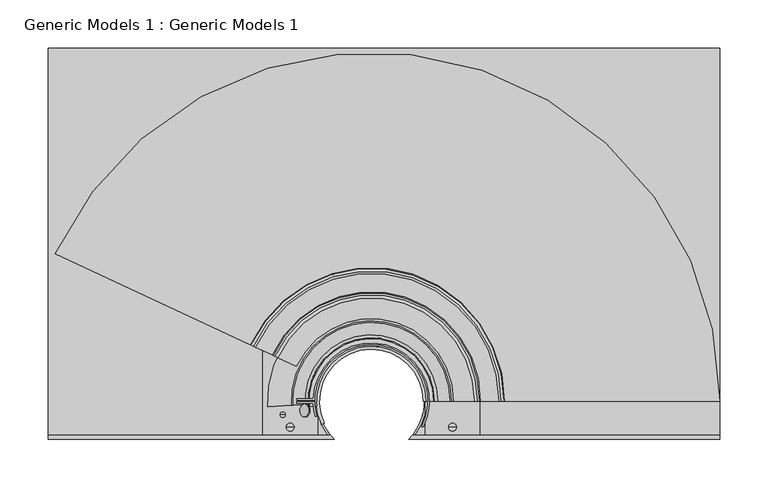
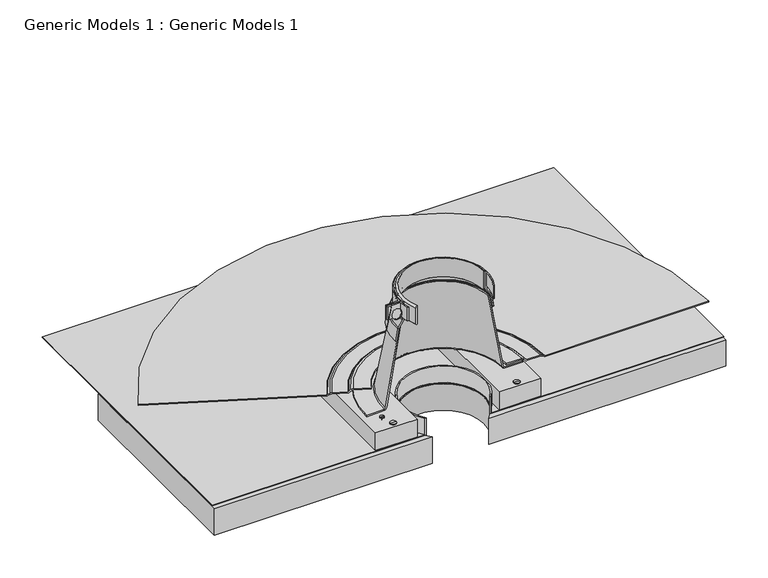
"""IFC4 building model written with IfcOpenShell, lengths in millimetres: proxy geometry, Generic Models 1 : Generic Models 1."""

from ifc_helpers import new_model, si_unit, point, frame, frame_2d, origin, place, context, project, spatial, polyline, circle_curve, ellipse_curve, trimmed, segment, composite_curve, outline, extrude, source, transform, mapped, element, save
from ifc_brep_helpers import plane_surface, cylinder_surface, revolved_surface, advanced_brep


def generic_models_1_generic_models_1_5c570e52(model_context):
    return source(origin(), model_context, "Body", "SolidModel", [
        advanced_brep(
        [(109.3081433, -0.2148802, 322.2467164), (110.2023565, -0.2148802, 329.5294984), (108.4139301, -0.2148802, 329.5294984), (110.2023565, -0.2148802, 364.9000359), (108.4139301, -0.2148802, 364.9000359), (113.4189105, -0.2148802, 364.9000359), (105.1973761, -0.2148802, 364.9000359), (113.4189105, -0.2148802, 366.6967164), (105.1973761, -0.2148802, 366.6967164), (109.3081433, -0.2148802, 366.6967164)],
        [
            (0, 1),
            (1, 2, circle_curve(frame((109.3081433, -0.2148802, 329.5294984), z_axis=(0.0, 0.0, -1.0), x_axis=(1.0, 0.0, 0.0)), 0.8942132)),
            (2, 0),
            (1, 3),
            (3, 4, circle_curve(frame((109.3081433, -0.2148802, 364.9000359), z_axis=(0.0, 0.0, -1.0), x_axis=(1.0, 0.0, 0.0)), 0.8942132)),
            (4, 2),
            (3, 5),
            (5, 6, circle_curve(frame((109.3081433, -0.2148802, 364.9000359), z_axis=(0.0, 0.0, -1.0), x_axis=(1.0, 0.0, 0.0)), 4.1107672)),
            (6, 4),
            (5, 7),
            (7, 8, circle_curve(frame((109.3081433, -0.2148802, 366.6967164), z_axis=(0.0, 0.0, -1.0), x_axis=(1.0, 0.0, 0.0)), 4.1107672)),
            (8, 6),
            (7, 9),
            (9, 8),
            (2, 1, circle_curve(frame((109.3081433, -0.2148802, 329.5294984), z_axis=(0.0, 0.0, -1.0), x_axis=(1.0, 0.0, 0.0)), 0.8942132)),
            (4, 3, circle_curve(frame((109.3081433, -0.2148802, 364.9000359), z_axis=(0.0, 0.0, -1.0), x_axis=(1.0, 0.0, 0.0)), 0.8942132)),
            (6, 5, circle_curve(frame((109.3081433, -0.2148802, 364.9000359), z_axis=(0.0, 0.0, -1.0), x_axis=(1.0, 0.0, 0.0)), 4.1107672)),
            (8, 7, circle_curve(frame((109.3081433, -0.2148802, 366.6967164), z_axis=(0.0, 0.0, -1.0), x_axis=(1.0, 0.0, 0.0)), 4.1107672)),
        ],
        [
            revolved_surface(polyline([(110.2023565, -0.2148802, 329.5294984), (109.3081433, -0.2148802, 322.2467164)]), (109.3081433, -0.2148802, 361.5306611), (0.0, 0.0, -1.0)),
            cylinder_surface(frame((109.3081433, -0.2148802, 361.5306611), z_axis=(0.0, 0.0, -1.0), x_axis=(1.0, 0.0, 0.0)), 0.8942132),
            plane_surface(frame((109.3081433, -0.2148802, 364.9000359), z_axis=(0.0, 0.0, -1.0), x_axis=(1.0, 0.0, 0.0))),
            cylinder_surface(frame((109.3081433, -0.2148802, 361.5306611), z_axis=(0.0, 0.0, -1.0), x_axis=(1.0, 0.0, 0.0)), 4.1107672),
            plane_surface(frame((109.3081433, -0.2148802, 366.6967164), z_axis=(0.0, 0.0, 1.0), x_axis=(1.0, 0.0, 0.0))),
        ],
        [
            (0, [[1, 2, 3]]),
            (1, [[-2, 4, 5, 6]]),
            (2, [[-5, 7, 8, 9]]),
            (3, [[-8, 10, 11, 12]]),
            (4, [[-11, 13, 14]]),
            (0, [[-3, 15, -1]]),
            (1, [[-15, -6, 16, -4]]),
            (2, [[-16, -9, 17, -7]]),
            (3, [[-17, -12, 18, -10]]),
            (4, [[-18, -14, -13]]),
        ],
    ),
        advanced_brep(
        [(-58.5640294, -0.2148802, 329.5294984), (-60.3524558, -0.2148802, 329.5294984), (-59.4582426, -0.2148802, 322.2467164), (-58.5640294, -0.2148802, 364.9000359), (-60.3524558, -0.2148802, 364.9000359), (-55.3474754, -0.2148802, 364.9000359), (-63.5690098, -0.2148802, 364.9000359), (-55.3474754, -0.2148802, 366.6967164), (-63.5690098, -0.2148802, 366.6967164), (-59.4582426, -0.2148802, 366.6967164)],
        [
            (0, 1, circle_curve(frame((-59.4582426, -0.2148802, 329.5294984), z_axis=(0.0, 0.0, -1.0), x_axis=(-1.0, 0.0, 0.0)), 0.8942132)),
            (1, 2),
            (2, 0),
            (3, 4, circle_curve(frame((-59.4582426, -0.2148802, 364.9000359), z_axis=(0.0, 0.0, -1.0), x_axis=(-1.0, 0.0, 0.0)), 0.8942132)),
            (4, 1),
            (0, 3),
            (5, 6, circle_curve(frame((-59.4582426, -0.2148802, 364.9000359), z_axis=(0.0, 0.0, -1.0), x_axis=(-1.0, 0.0, 0.0)), 4.1107672)),
            (6, 4),
            (3, 5),
            (7, 8, circle_curve(frame((-59.4582426, -0.2148802, 366.6967164), z_axis=(0.0, 0.0, -1.0), x_axis=(-1.0, 0.0, 0.0)), 4.1107672)),
            (8, 6),
            (5, 7),
            (9, 8),
            (7, 9),
            (1, 0, circle_curve(frame((-59.4582426, -0.2148802, 329.5294984), z_axis=(0.0, 0.0, -1.0), x_axis=(-1.0, 0.0, 0.0)), 0.8942132)),
            (4, 3, circle_curve(frame((-59.4582426, -0.2148802, 364.9000359), z_axis=(0.0, 0.0, -1.0), x_axis=(-1.0, 0.0, 0.0)), 0.8942132)),
            (6, 5, circle_curve(frame((-59.4582426, -0.2148802, 364.9000359), z_axis=(0.0, 0.0, -1.0), x_axis=(-1.0, 0.0, 0.0)), 4.1107672)),
            (8, 7, circle_curve(frame((-59.4582426, -0.2148802, 366.6967164), z_axis=(0.0, 0.0, -1.0), x_axis=(-1.0, 0.0, 0.0)), 4.1107672)),
        ],
        [
            revolved_surface(polyline([(-59.4582426, -0.2148802, 322.2467164), (-60.3524558, -0.2148802, 329.5294984)]), (-59.4582426, -0.2148802, 361.5306611), (0.0, 0.0, 1.0)),
            cylinder_surface(frame((-59.4582426, -0.2148802, 361.5306611), z_axis=(0.0, 0.0, 1.0), x_axis=(-1.0, 0.0, 0.0)), 0.8942132),
            plane_surface(frame((-59.4582426, -0.2148802, 364.9000359), z_axis=(0.0, 0.0, -1.0), x_axis=(-1.0, 0.0, 0.0))),
            cylinder_surface(frame((-59.4582426, -0.2148802, 361.5306611), z_axis=(0.0, 0.0, 1.0), x_axis=(-1.0, 0.0, 0.0)), 4.1107672),
            plane_surface(frame((-59.4582426, -0.2148802, 366.6967164), z_axis=(0.0, 0.0, 1.0), x_axis=(-1.0, 0.0, 0.0))),
        ],
        [
            (0, [[1, 2, 3]]),
            (1, [[4, 5, -1, 6]]),
            (2, [[7, 8, -4, 9]]),
            (3, [[10, 11, -7, 12]]),
            (4, [[13, -10, 14]]),
            (0, [[15, -3, -2]]),
            (1, [[16, -6, -15, -5]]),
            (2, [[17, -9, -16, -8]]),
            (3, [[18, -12, -17, -11]]),
            (4, [[-14, -18, -13]]),
        ],
    ),
        advanced_brep(
        [(-18.4100435, -7.9562391, 339.7092164), (-18.4100435, -7.9562391, 338.9154664), (68.2599441, -7.9562391, 338.9154664), (68.2599441, -7.9562391, 339.7092164), (387.35, 393.8469389, 338.9154664), (-311.15, 393.8469389, 338.9154664), (-311.15, 393.8469389, 339.7092164), (387.35, 393.8469389, 339.7092164), (387.35, -7.9562391, 338.9154664), (387.35, -7.9562391, 339.7092164), (70.2774892, -7.9562391, 339.7092164), (70.2774892, -7.9562391, 363.6395059), (68.2599441, -7.9562391, 363.6395059), (-311.15, -7.9562391, 339.7092164), (-311.15, -7.9562391, 338.9154664), (-18.4100435, -7.9562391, 363.6395059), (-20.4275886, -7.9562391, 363.6395059), (-20.4275886, -7.9562391, 339.7092164)],
        [
            (0, 1),
            (1, 2, circle_curve(frame((24.9249503, 26.8183165, 338.9154664), z_axis=(0.0, 0.0, -1.0), x_axis=(1.0, 0.0, 0.0)), 55.5625)),
            (2, 3),
            (3, 0, circle_curve(frame((24.9249503, 26.8183165, 339.7092164), z_axis=(0.0, 0.0, 1.0), x_axis=(1.0, 0.0, 0.0)), 55.5625)),
            (4, 5),
            (5, 6),
            (6, 7),
            (7, 4),
            (8, 9),
            (9, 10),
            (10, 11),
            (11, 12),
            (12, 3),
            (2, 8),
            (13, 14),
            (14, 1),
            (0, 15),
            (15, 16),
            (16, 17),
            (17, 13),
            (4, 8),
            (14, 5),
            (13, 6),
            (17, 10, circle_curve(frame((24.9249503, 26.8183165, 339.7092164), z_axis=(0.0, 0.0, -1.0), x_axis=(1.0, 0.0, 0.0)), 57.15)),
            (9, 7),
            (15, 12, circle_curve(frame((24.9249503, 26.8183165, 363.6395059), z_axis=(0.0, 0.0, -1.0), x_axis=(1.0, 0.0, 0.0)), 55.5625)),
            (11, 16, circle_curve(frame((24.9249503, 26.8183165, 363.6395059), z_axis=(0.0, 0.0, 1.0), x_axis=(1.0, 0.0, 0.0)), 57.15)),
        ],
        [
            revolved_surface(polyline([(80.4874503, 26.8183165, 339.7092164), (80.4874503, 26.8183165, 338.9154664)]), (24.9249503, 26.8183165, 299.6248414), (0.0, 0.0, 1.0)),
            plane_surface(frame((82.55, 393.8469389, 338.9154664), z_axis=(0.0, 1.0, 0.0), x_axis=(-1.0, 0.0, 0.0))),
            plane_surface(frame((82.55, -7.9562391, 338.9154664), z_axis=(0.0, -1.0, 0.0), x_axis=(1.0, 0.0, 0.0))),
            plane_surface(frame((387.35, 393.8469389, 338.9154664), z_axis=(0.0, 0.0, -1.0), x_axis=(0.0, -1.0, 0.0))),
            plane_surface(frame((-311.15, 393.8469389, 338.9154664), z_axis=(-1.0, 0.0, 0.0), x_axis=(0.0, -1.0, 0.0))),
            plane_surface(frame((-311.15, 393.8469389, 339.7092164), z_axis=(0.0, 0.0, 1.0), x_axis=(0.0, -1.0, 0.0))),
            plane_surface(frame((387.35, 393.8469389, 339.7092164), z_axis=(1.0, 0.0, 0.0), x_axis=(0.0, -1.0, 0.0))),
            plane_surface(frame((80.4874503, 26.8183165, 363.6395059), z_axis=(0.0, 0.0, 1.0), x_axis=(0.0, -1.0, 0.0))),
            revolved_surface(polyline([(80.4874503, 26.8183165, 339.7092164), (80.4874503, 26.8183165, 363.6395059)]), (24.9249503, 26.8183165, 339.7092164), (0.0, 0.0, -1.0)),
            cylinder_surface(frame((24.9249503, 26.8183165, 339.7092164), z_axis=(0.0, 0.0, 1.0), x_axis=(1.0, 0.0, 0.0)), 57.15),
        ],
        [
            (0, [[1, 2, 3, 4]]),
            (1, [[5, 6, 7, 8]]),
            (2, [[9, 10, 11, 12, 13, -3, 14]]),
            (2, [[15, 16, -1, 17, 18, 19, 20]]),
            (3, [[-5, 21, -14, -2, -16, 22]]),
            (4, [[-6, -22, -15, 23]]),
            (5, [[-7, -23, -20, 24, -10, 25]]),
            (6, [[-8, -25, -9, -21]]),
            (7, [[26, -12, 27, -18]]),
            (8, [[-26, -17, -4, -13]]),
            (9, [[-27, -11, -24, -19]]),
        ],
    ),
        extrude(outline(polyline([(-30.8832426, -7.9562391), (-88.0332426, -7.9562391), (-88.0332426, 303.0387843), (-30.8832426, 303.0387843), (-30.8832426, -7.9562391)])), frame((0.0, 0.0, 340.8998414), z_axis=(0.0, 0.0, 1.0), x_axis=(1.0, 0.0, 0.0)), (0.0, 0.0, 1.0), 25.4),
        extrude(outline(polyline([(137.8831433, -7.9562391), (80.7331433, -7.9562391), (80.7331433, 303.0387843), (137.8831433, 303.0387843), (137.8831433, -7.9562391)])), frame((0.0, 0.0, 340.8998414), z_axis=(0.0, 0.0, 1.0), x_axis=(1.0, 0.0, 0.0)), (0.0, 0.0, 1.0), 25.4),
        extrude(outline(composite_curve([segment(polyline([(-311.15, 261.3017557), (387.35, 261.3017557), (387.35, -13.0576056), (63.6173558, -13.0576056)]), True, "CONTINUOUS"), segment(trimmed(circle_curve(frame_2d((24.9249503, 26.8183165)), 55.5625), [point((63.6173558, -13.0576056))], [point((-13.7674551, -13.0576056))], True, "CARTESIAN"), True, "CONTINUOUS"), segment(polyline([(-13.7674551, -13.0576056), (-311.15, -13.0576056), (-311.15, 261.3017557)]), True, "CONTINUOUS")], self_intersect=False)), frame((0.0, 0.0, 299.6248414), z_axis=(0.0, 0.0, 1.0), x_axis=(1.0, 0.0, 0.0)), (0.0, 0.0, 1.0), 38.1),
        advanced_brep(
        [(-66.7992773, 12.7, 353.9264172), (-67.5893807, 12.7, 353.9264172), (-67.194329, 12.7, 350.7089791), (-66.7992773, 12.7, 369.552659), (-67.5893807, 12.7, 369.552659), (-64.4139076, 12.7, 369.552659), (-69.9747504, 12.7, 369.552659), (-64.4139076, 12.7, 370.346409), (-69.9747504, 12.7, 370.346409), (-67.194329, 12.7, 370.346409)],
        [
            (0, 1, circle_curve(frame((-67.194329, 12.7, 353.9264172), z_axis=(0.0, 0.0, -1.0), x_axis=(-1.0, 0.0, 0.0)), 0.3950517)),
            (1, 2),
            (2, 0),
            (3, 4, circle_curve(frame((-67.194329, 12.7, 369.552659), z_axis=(0.0, 0.0, -1.0), x_axis=(-1.0, 0.0, 0.0)), 0.3950517)),
            (4, 1),
            (0, 3),
            (5, 6, circle_curve(frame((-67.194329, 12.7, 369.552659), z_axis=(0.0, 0.0, -1.0), x_axis=(-1.0, 0.0, 0.0)), 2.7804214)),
            (6, 4),
            (3, 5),
            (7, 8, circle_curve(frame((-67.194329, 12.7, 370.346409), z_axis=(0.0, 0.0, -1.0), x_axis=(-1.0, 0.0, 0.0)), 2.7804214)),
            (8, 6),
            (5, 7),
            (9, 8),
            (7, 9),
            (1, 0, circle_curve(frame((-67.194329, 12.7, 353.9264172), z_axis=(0.0, 0.0, -1.0), x_axis=(-1.0, 0.0, 0.0)), 0.3950517)),
            (4, 3, circle_curve(frame((-67.194329, 12.7, 369.552659), z_axis=(0.0, 0.0, -1.0), x_axis=(-1.0, 0.0, 0.0)), 0.3950517)),
            (6, 5, circle_curve(frame((-67.194329, 12.7, 369.552659), z_axis=(0.0, 0.0, -1.0), x_axis=(-1.0, 0.0, 0.0)), 2.7804214)),
            (8, 7, circle_curve(frame((-67.194329, 12.7, 370.346409), z_axis=(0.0, 0.0, -1.0), x_axis=(-1.0, 0.0, 0.0)), 2.7804214)),
        ],
        [
            revolved_surface(polyline([(-67.194329, 12.7, 350.7089791), (-67.5893807, 12.7, 353.9264172)]), (-67.194329, 12.7, 365.1803537), (0.0, 0.0, 1.0)),
            cylinder_surface(frame((-67.194329, 12.7, 365.1803537), z_axis=(0.0, 0.0, 1.0), x_axis=(-1.0, 0.0, 0.0)), 0.3950517),
            plane_surface(frame((-67.194329, 12.7, 369.552659), z_axis=(0.0, 0.0, -1.0), x_axis=(-1.0, 0.0, 0.0))),
            cylinder_surface(frame((-67.194329, 12.7, 365.1803537), z_axis=(0.0, 0.0, 1.0), x_axis=(-1.0, 0.0, 0.0)), 2.7804214),
            plane_surface(frame((-67.194329, 12.7, 370.346409), z_axis=(0.0, 0.0, 1.0), x_axis=(-1.0, 0.0, 0.0))),
        ],
        [
            (0, [[1, 2, 3]]),
            (1, [[4, 5, -1, 6]]),
            (2, [[7, 8, -4, 9]]),
            (3, [[10, 11, -7, 12]]),
            (4, [[13, -10, 14]]),
            (0, [[15, -3, -2]]),
            (1, [[16, -6, -15, -5]]),
            (2, [[17, -9, -16, -8]]),
            (3, [[18, -12, -17, -11]]),
            (4, [[-14, -18, -13]]),
        ],
    ),
        advanced_brep(
        [(132.8749503, 26.8183165, 370.346409), (132.8749503, 26.8183165, 371.933909), (108.3787769, 26.8183165, 371.933909), (106.8153946, 26.8183165, 373.2457426), (87.5709061, 26.8183165, 482.3866604), (86.0075238, 26.8183165, 482.1109939), (105.2520123, 26.8183165, 372.9700761), (108.3787769, 26.8183165, 370.346409), (-82.877108, 21.16865, 370.346409), (-58.4145057, 22.4506807, 370.346409), (-55.2920262, 22.6143229, 372.9700761), (-36.0739116, 23.6215016, 482.1109939), (-37.6351514, 23.5396805, 482.3866604), (-56.853266, 22.5325018, 373.2457426), (-58.4145057, 22.4506807, 371.933909), (-82.877108, 21.16865, 371.933909)],
        [
            (0, 1),
            (1, 2),
            (2, 3, circle_curve(frame((108.3787769, 26.8183165, 373.521409), z_axis=(0.0, 1.0, 0.0), x_axis=(1.0, 0.0, 0.0)), 1.5875)),
            (3, 4),
            (4, 5),
            (5, 6),
            (6, 7, circle_curve(frame((108.3787769, 26.8183165, 373.521409), z_axis=(0.0, -1.0, 0.0), x_axis=(1.0, 0.0, 0.0)), 3.175)),
            (7, 0),
            (8, 9),
            (9, 10, circle_curve(frame((-58.4145057, 22.4506807, 373.521409), z_axis=(0.05233595624293691, -0.9986295347545743, 0.0), x_axis=(-0.9986295347545743, -0.05233595624293691, 0.0)), 3.175)),
            (10, 11),
            (11, 12),
            (12, 13),
            (13, 14, circle_curve(frame((-58.4145057, 22.4506807, 373.521409), z_axis=(-0.05233595624293691, 0.9986295347545743, 0.0), x_axis=(-0.9986295347545743, -0.05233595624293691, 0.0)), 1.5875)),
            (14, 15),
            (15, 8),
            (15, 1, circle_curve(frame((24.9249503, 26.8183165, 371.933909), z_axis=(0.0, 0.0, -1.0), x_axis=(1.0, 0.0, 0.0)), 107.95)),
            (0, 8, circle_curve(frame((24.9249503, 26.8183165, 370.346409), z_axis=(0.0, 0.0, 1.0), x_axis=(1.0, 0.0, 0.0)), 107.95)),
            (7, 9, circle_curve(frame((24.9249503, 26.8183165, 370.346409), z_axis=(0.0, 0.0, 1.0), x_axis=(1.0, 0.0, 0.0)), 83.4538266)),
            (6, 10, circle_curve(frame((24.9249503, 26.8183165, 372.9700761), z_axis=(0.0, 0.0, 1.0), x_axis=(1.0, 0.0, 0.0)), 80.327062)),
            (5, 11, circle_curve(frame((24.9249503, 26.8183165, 482.1109939), z_axis=(0.0, 0.0, 1.0), x_axis=(1.0, 0.0, 0.0)), 61.0825735)),
            (4, 12, circle_curve(frame((24.9249503, 26.8183165, 482.3866604), z_axis=(0.0, 0.0, 1.0), x_axis=(1.0, 0.0, 0.0)), 62.6459558)),
            (14, 2, circle_curve(frame((24.9249503, 26.8183165, 371.933909), z_axis=(0.0, 0.0, -1.0), x_axis=(1.0, 0.0, 0.0)), 83.4538266)),
            (13, 3, circle_curve(frame((24.9249503, 26.8183165, 373.2457426), z_axis=(0.0, 0.0, -1.0), x_axis=(1.0, 0.0, 0.0)), 81.8904443)),
        ],
        [
            plane_surface(frame((24.9249503, 26.8183165, 553.3315424), z_axis=(0.0, -1.0, 0.0), x_axis=(1.0, 0.0, 0.0))),
            plane_surface(frame((24.9249503, 26.8183165, 553.3315424), z_axis=(0.05233595624293692, -0.9986295347545743, 0.0), x_axis=(-0.9986295347545743, -0.05233595624293692, 0.0))),
            cylinder_surface(frame((24.9249503, 26.8183165, 553.3315424), z_axis=(0.0, 0.0, 1.0), x_axis=(1.0, 0.0, 0.0)), 107.95),
            plane_surface(frame((24.9249503, 26.8183165, 370.346409), z_axis=(0.0, 0.0, -1.0), x_axis=(1.0, 0.0, 0.0))),
            revolved_surface(trimmed(ellipse_curve(frame((108.3787769, 26.8183165, 373.521409), z_axis=(0.0, -1.0, 0.0), x_axis=(1.0, 0.0, 0.0)), 3.175, 3.175), [point((105.2520123, 26.8183165, 372.9700761))], [point((108.3787769, 26.8183165, 370.346409))], True, "CARTESIAN"), (24.9249503, 26.8183165, 553.3315424), (0.0, 0.0, 1.0)),
            revolved_surface(polyline([(86.0075238, 26.8183165, 482.1109939), (105.2520123, 26.8183165, 372.9700761)]), (24.9249503, 26.8183165, 553.3315424), (0.0, 0.0, 1.0)),
            revolved_surface(polyline([(87.5709061, 26.8183165, 482.3866604), (86.0075238, 26.8183165, 482.1109939)]), (24.9249503, 26.8183165, 553.3315424), (0.0, 0.0, 1.0)),
            plane_surface(frame((24.9249503, 26.8183165, 371.933909), z_axis=(0.0, 0.0, 1.0), x_axis=(1.0, 0.0, 0.0))),
            revolved_surface(trimmed(ellipse_curve(frame((108.3787769, 26.8183165, 373.521409), z_axis=(0.0, 1.0, 0.0), x_axis=(1.0, 0.0, 0.0)), 1.5875, 1.5875), [point((108.3787769, 26.8183165, 371.933909))], [point((106.8153946, 26.8183165, 373.2457426))], True, "CARTESIAN"), (24.9249503, 26.8183165, 553.3315424), (0.0, 0.0, 1.0)),
            revolved_surface(polyline([(106.8153946, 26.8183165, 373.2457426), (87.5709061, 26.8183165, 482.3866604)]), (24.9249503, 26.8183165, 553.3315424), (0.0, 0.0, 1.0)),
        ],
        [
            (0, [[1, 2, 3, 4, 5, 6, 7, 8]]),
            (1, [[9, 10, 11, 12, 13, 14, 15, 16]]),
            (2, [[17, -1, 18, -16]]),
            (3, [[-18, -8, 19, -9]]),
            (4, [[-19, -7, 20, -10]]),
            (5, [[-20, -6, 21, -11]]),
            (6, [[-21, -5, 22, -12]]),
            (7, [[23, -2, -17, -15]]),
            (8, [[24, -3, -23, -14]]),
            (9, [[-22, -4, -24, -13]]),
        ],
    ),
        advanced_brep(
        [(82.0749503, 26.8183165, 493.8055907), (82.9845069, 26.8183165, 491.0062634), (88.6556603, 26.8183165, 483.2005904), (89.213796, 26.8183165, 481.8857052), (92.1622414, 26.8183165, 465.1642401), (93.7256237, 26.8183165, 465.4399066), (90.7771783, 26.8183165, 482.1613716), (89.9399748, 26.8183165, 484.1336995), (84.2688214, 26.8183165, 491.9393725), (83.6624503, 26.8183165, 493.8055907), (83.6624503, 26.8183165, 518.7101114), (82.0749503, 26.8183165, 518.7101114), (-32.0075767, 21.8373658, 493.8055907), (-32.0075767, 21.8373658, 518.7101114), (-33.5890358, 21.699006, 518.7101114), (-33.5890358, 21.699006, 493.8055907), (-34.1930994, 21.6461573, 491.9393725), (-39.8426724, 21.1518837, 484.1336995), (-40.6766901, 21.0789166, 482.1613716), (-43.6139158, 20.8219427, 465.4399066), (-42.0564826, 20.9582004, 465.1642401), (-39.1192569, 21.2151744, 481.8857052), (-38.5632451, 21.2638191, 483.2005904), (-32.9136721, 21.7580927, 491.0062634)],
        [
            (0, 1, circle_curve(frame((86.8374503, 26.8183165, 493.8055907), z_axis=(0.0, -1.0, 0.0), x_axis=(1.0, 0.0, 0.0)), 4.7625)),
            (1, 2),
            (2, 3, circle_curve(frame((86.0870314, 26.8183165, 481.3343722), z_axis=(0.0, 1.0, 0.0), x_axis=(1.0, 0.0, 0.0)), 3.175)),
            (3, 4),
            (4, 5),
            (5, 6),
            (6, 7, circle_curve(frame((86.0870314, 26.8183165, 481.3343722), z_axis=(0.0, -1.0, 0.0), x_axis=(1.0, 0.0, 0.0)), 4.7625)),
            (7, 8),
            (8, 9, circle_curve(frame((86.8374503, 26.8183165, 493.8055907), z_axis=(0.0, 1.0, 0.0), x_axis=(1.0, 0.0, 0.0)), 3.175)),
            (9, 10),
            (10, 11),
            (11, 0),
            (12, 13),
            (13, 14),
            (14, 15),
            (15, 16, circle_curve(frame((-36.7519539, 21.4222866, 493.8055907), z_axis=(-0.08715574274765131, 0.9961946980917462, 0.0), x_axis=(-0.9961946980917462, -0.08715574274765131, 0.0)), 3.175)),
            (16, 17),
            (17, 18, circle_curve(frame((-36.0043906, 21.4876899, 481.3343722), z_axis=(0.08715574274765131, -0.9961946980917462, 0.0), x_axis=(-0.9961946980917462, -0.08715574274765131, 0.0)), 4.7625)),
            (18, 19),
            (19, 20),
            (20, 21),
            (21, 22, circle_curve(frame((-36.0043906, 21.4876899, 481.3343722), z_axis=(-0.08715574274765131, 0.9961946980917462, 0.0), x_axis=(-0.9961946980917462, -0.08715574274765131, 0.0)), 3.175)),
            (22, 23),
            (23, 12, circle_curve(frame((-36.7519539, 21.4222866, 493.8055907), z_axis=(0.08715574274765131, -0.9961946980917462, 0.0), x_axis=(-0.9961946980917462, -0.08715574274765131, 0.0)), 4.7625)),
            (14, 10, circle_curve(frame((24.9249503, 26.8183165, 518.7101114), z_axis=(0.0, 0.0, -1.0), x_axis=(1.0, 0.0, 0.0)), 58.7375)),
            (9, 15, circle_curve(frame((24.9249503, 26.8183165, 493.8055907), z_axis=(0.0, 0.0, 1.0), x_axis=(1.0, 0.0, 0.0)), 58.7375)),
            (13, 11, circle_curve(frame((24.9249503, 26.8183165, 518.7101114), z_axis=(0.0, 0.0, -1.0), x_axis=(1.0, 0.0, 0.0)), 57.15)),
            (12, 0, circle_curve(frame((24.9249503, 26.8183165, 493.8055907), z_axis=(0.0, 0.0, -1.0), x_axis=(1.0, 0.0, 0.0)), 57.15)),
            (23, 1, circle_curve(frame((24.9249503, 26.8183165, 491.0062634), z_axis=(0.0, 0.0, -1.0), x_axis=(1.0, 0.0, 0.0)), 58.0595566)),
            (22, 2, circle_curve(frame((24.9249503, 26.8183165, 483.2005904), z_axis=(0.0, 0.0, -1.0), x_axis=(1.0, 0.0, 0.0)), 63.73071)),
            (21, 3, circle_curve(frame((24.9249503, 26.8183165, 481.8857052), z_axis=(0.0, 0.0, -1.0), x_axis=(1.0, 0.0, 0.0)), 64.2888457)),
            (20, 4, circle_curve(frame((24.9249503, 26.8183165, 465.1642401), z_axis=(0.0, 0.0, -1.0), x_axis=(1.0, 0.0, 0.0)), 67.2372911)),
            (19, 5, circle_curve(frame((24.9249503, 26.8183165, 465.4399066), z_axis=(0.0, 0.0, -1.0), x_axis=(1.0, 0.0, 0.0)), 68.8006734)),
            (18, 6, circle_curve(frame((24.9249503, 26.8183165, 482.1613716), z_axis=(0.0, 0.0, -1.0), x_axis=(1.0, 0.0, 0.0)), 65.852228)),
            (17, 7, circle_curve(frame((24.9249503, 26.8183165, 484.1336995), z_axis=(0.0, 0.0, -1.0), x_axis=(1.0, 0.0, 0.0)), 65.0150245)),
            (16, 8, circle_curve(frame((24.9249503, 26.8183165, 491.9393725), z_axis=(0.0, 0.0, -1.0), x_axis=(1.0, 0.0, 0.0)), 59.343871)),
        ],
        [
            plane_surface(frame((24.9249503, 26.8183165, 553.3315424), z_axis=(0.0, -1.0, 0.0), x_axis=(1.0, 0.0, 0.0))),
            plane_surface(frame((24.9249503, 26.8183165, 553.3315424), z_axis=(0.08715574274765131, -0.9961946980917461, 0.0), x_axis=(-0.9961946980917461, -0.08715574274765131, 0.0))),
            cylinder_surface(frame((24.9249503, 26.8183165, 553.3315424), z_axis=(0.0, 0.0, 1.0), x_axis=(1.0, 0.0, 0.0)), 58.7375),
            plane_surface(frame((24.9249503, 26.8183165, 518.7101114), z_axis=(0.0, 0.0, 1.0), x_axis=(1.0, 0.0, 0.0))),
            revolved_surface(polyline([(82.0749503, 26.8183165, 518.7101114), (82.0749503, 26.8183165, 493.8055907)]), (24.9249503, 26.8183165, 553.3315424), (0.0, 0.0, 1.0)),
            revolved_surface(trimmed(ellipse_curve(frame((86.8374503, 26.8183165, 493.8055907), z_axis=(0.0, -1.0, 0.0), x_axis=(1.0, 0.0, 0.0)), 4.7625, 4.7625), [point((82.0749503, 26.8183165, 493.8055907))], [point((82.9845069, 26.8183165, 491.0062634))], True, "CARTESIAN"), (24.9249503, 26.8183165, 553.3315424), (0.0, 0.0, 1.0)),
            revolved_surface(polyline([(82.9845069, 26.8183165, 491.0062634), (88.6556603, 26.8183165, 483.2005904)]), (24.9249503, 26.8183165, 553.3315424), (0.0, 0.0, 1.0)),
            revolved_surface(trimmed(ellipse_curve(frame((86.0870314, 26.8183165, 481.3343722), z_axis=(0.0, 1.0, 0.0), x_axis=(1.0, 0.0, 0.0)), 3.175, 3.175), [point((88.6556603, 26.8183165, 483.2005904))], [point((89.213796, 26.8183165, 481.8857052))], True, "CARTESIAN"), (24.9249503, 26.8183165, 553.3315424), (0.0, 0.0, 1.0)),
            revolved_surface(polyline([(89.213796, 26.8183165, 481.8857052), (92.1622414, 26.8183165, 465.1642401)]), (24.9249503, 26.8183165, 553.3315424), (0.0, 0.0, 1.0)),
            revolved_surface(polyline([(92.1622414, 26.8183165, 465.1642401), (93.7256237, 26.8183165, 465.4399066)]), (24.9249503, 26.8183165, 553.3315424), (0.0, 0.0, 1.0)),
            revolved_surface(polyline([(93.7256237, 26.8183165, 465.4399066), (90.7771783, 26.8183165, 482.1613716)]), (24.9249503, 26.8183165, 553.3315424), (0.0, 0.0, 1.0)),
            revolved_surface(trimmed(ellipse_curve(frame((86.0870314, 26.8183165, 481.3343722), z_axis=(0.0, -1.0, 0.0), x_axis=(1.0, 0.0, 0.0)), 4.7625, 4.7625), [point((90.7771783, 26.8183165, 482.1613716))], [point((89.9399748, 26.8183165, 484.1336995))], True, "CARTESIAN"), (24.9249503, 26.8183165, 553.3315424), (0.0, 0.0, 1.0)),
            revolved_surface(polyline([(89.9399748, 26.8183165, 484.1336995), (84.2688214, 26.8183165, 491.9393725)]), (24.9249503, 26.8183165, 553.3315424), (0.0, 0.0, 1.0)),
            revolved_surface(trimmed(ellipse_curve(frame((86.8374503, 26.8183165, 493.8055907), z_axis=(0.0, 1.0, 0.0), x_axis=(1.0, 0.0, 0.0)), 3.175, 3.175), [point((84.2688214, 26.8183165, 491.9393725))], [point((83.6624503, 26.8183165, 493.8055907))], True, "CARTESIAN"), (24.9249503, 26.8183165, 553.3315424), (0.0, 0.0, 1.0)),
        ],
        [
            (0, [[1, 2, 3, 4, 5, 6, 7, 8, 9, 10, 11, 12]]),
            (1, [[13, 14, 15, 16, 17, 18, 19, 20, 21, 22, 23, 24]]),
            (2, [[25, -10, 26, -15]]),
            (3, [[27, -11, -25, -14]]),
            (4, [[28, -12, -27, -13]]),
            (5, [[29, -1, -28, -24]]),
            (6, [[30, -2, -29, -23]]),
            (7, [[31, -3, -30, -22]]),
            (8, [[32, -4, -31, -21]]),
            (9, [[33, -5, -32, -20]]),
            (10, [[34, -6, -33, -19]]),
            (11, [[35, -7, -34, -18]]),
            (12, [[36, -8, -35, -17]]),
            (13, [[-26, -9, -36, -16]]),
        ],
    ),
        extrude(outline(composite_curve([segment(trimmed(circle_curve(frame_2d((7.0940263, -1.1482682)), 6.6136328), [point((0.5808383, 0.0))], [point((0.5808383, -2.2965365))], False, "CARTESIAN"), True, "CONTINUOUS"), segment(polyline([(0.5808383, -2.2965365), (-0.2871582, -2.2965365), (-0.2871582, 0.0), (0.5808383, 0.0)]), True, "CONTINUOUS")], self_intersect=False)), frame((-42.7345771, 24.1499083, 507.7014344), z_axis=(-0.7071067811865462, 0.0, 0.7071067811865489), x_axis=(0.0, -1.0, 0.0)), (0.0, 0.0, 1.0), 1.5875),
        extrude(outline(composite_curve([segment(polyline([(-33.8071863, 27.6120665), (-52.8625497, 27.6120665), (-52.8625497, 29.1995665), (-35.353033, 29.1995665)]), True, "CONTINUOUS"), segment(trimmed(circle_curve(frame_2d((24.9249503, 26.8183165)), 60.325), [point((-35.353033, 29.1995665))], [point((78.9608969, 0.0))], False, "CARTESIAN"), True, "CONTINUOUS"), segment(polyline([(78.9608969, 0.0), (77.1826943, 0.0)]), True, "CONTINUOUS"), segment(trimmed(circle_curve(frame_2d((24.9249503, 26.8183165)), 58.7375), [point((77.1826943, 0.0))], [point((-33.8071863, 27.6120665))], True, "CARTESIAN"), True, "CONTINUOUS")], self_intersect=False)), frame((0.0, 0.0, 497.7302696), z_axis=(0.0, 0.0, 1.0), x_axis=(1.0, 0.0, 0.0)), (0.0, 0.0, 1.0), 19.05),
        extrude(outline(composite_curve([segment(trimmed(circle_curve(frame_2d((24.9249503, 26.8183165)), 60.325), [point((-33.3196456, 11.1125))], [point((-35.353033, 24.4370665))], False, "CARTESIAN"), True, "CONTINUOUS"), segment(polyline([(-35.353033, 24.4370665), (-52.8625497, 24.4370665), (-52.8625497, 26.0245665), (-33.8071863, 26.0245665)]), True, "CONTINUOUS"), segment(trimmed(circle_curve(frame_2d((24.9249503, 26.8183165)), 58.7375), [point((-33.8071863, 26.0245665))], [point((-31.6738238, 11.1125))], True, "CARTESIAN"), True, "CONTINUOUS"), segment(polyline([(-31.6738238, 11.1125), (-33.3196456, 11.1125)]), True, "CONTINUOUS")], self_intersect=False)), frame((0.0, 0.0, 497.7302696), z_axis=(0.0, 0.0, 1.0), x_axis=(1.0, 0.0, 0.0)), (0.0, 0.0, 1.0), 19.05),
        advanced_brep(
        [(78.8999503, 26.8183165, 520.9252815), (78.8999503, 26.8183165, 493.8646181), (82.0749503, 26.8183165, 496.0797882), (82.0749503, 26.8183165, 518.7101114), (-23.9930125, 4.0074958, 520.9252815), (-26.8705397, 2.6656828, 518.7101114), (-26.8705397, 2.6656828, 496.0797882), (-23.9930125, 4.0074958, 493.8646181)],
        [
            (0, 1),
            (1, 2, circle_curve(frame((77.9949597, 26.8183165, 498.5446862), z_axis=(0.0, -1.0, 0.0), x_axis=(1.0, 0.0, 0.0)), 4.7667648)),
            (2, 3),
            (3, 0, circle_curve(frame((77.9949597, 26.8183165, 516.2452133), z_axis=(0.0, -1.0, 0.0), x_axis=(1.0, 0.0, 0.0)), 4.7667648)),
            (4, 5, circle_curve(frame((-23.1728124, 4.3899614, 516.2452133), z_axis=(0.42261826174069284, -0.906307787036653, 0.0), x_axis=(-0.906307787036653, -0.42261826174069284, 0.0)), 4.7667648)),
            (5, 6),
            (6, 7, circle_curve(frame((-23.1728124, 4.3899614, 498.5446862), z_axis=(0.42261826174069284, -0.906307787036653, 0.0), x_axis=(-0.906307787036653, -0.42261826174069284, 0.0)), 4.7667648)),
            (7, 4),
            (7, 1, circle_curve(frame((24.9249503, 26.8183165, 493.8646181), z_axis=(0.0, 0.0, -1.0), x_axis=(1.0, 0.0, 0.0)), 53.975)),
            (0, 4, circle_curve(frame((24.9249503, 26.8183165, 520.9252815), z_axis=(0.0, 0.0, 1.0), x_axis=(1.0, 0.0, 0.0)), 53.975)),
            (5, 3, circle_curve(frame((24.9249503, 26.8183165, 518.7101114), z_axis=(0.0, 0.0, -1.0), x_axis=(1.0, 0.0, 0.0)), 57.15)),
            (2, 6, circle_curve(frame((24.9249503, 26.8183165, 496.0797882), z_axis=(0.0, 0.0, 1.0), x_axis=(1.0, 0.0, 0.0)), 57.15)),
        ],
        [
            plane_surface(frame((24.9249503, 26.8183165, 553.3315424), z_axis=(0.0, -1.0, 0.0), x_axis=(1.0, 0.0, 0.0))),
            plane_surface(frame((24.9249503, 26.8183165, 553.3315424), z_axis=(0.42261826174069284, -0.9063077870366532, 0.0), x_axis=(-0.9063077870366532, -0.42261826174069284, 0.0))),
            revolved_surface(polyline([(78.8999503, 26.8183165, 520.9252815), (78.8999503, 26.8183165, 493.8646181)]), (24.9249503, 26.8183165, 553.3315424), (0.0, 0.0, 1.0)),
            cylinder_surface(frame((24.9249503, 26.8183165, 553.3315424), z_axis=(0.0, 0.0, 1.0), x_axis=(1.0, 0.0, 0.0)), 57.15),
            revolved_surface(trimmed(ellipse_curve(frame((77.9949597, 26.8183165, 516.2452133), z_axis=(0.0, -1.0, 0.0), x_axis=(1.0, 0.0, 0.0)), 4.7667648, 4.7667648), [point((82.0749503, 26.8183165, 518.7101114))], [point((78.8999503, 26.8183165, 520.9252815))], True, "CARTESIAN"), (24.9249503, 26.8183165, 553.3315424), (0.0, 0.0, 1.0)),
            revolved_surface(trimmed(ellipse_curve(frame((77.9949597, 26.8183165, 498.5446862), z_axis=(0.0, -1.0, 0.0), x_axis=(1.0, 0.0, 0.0)), 4.7667648, 4.7667648), [point((78.8999503, 26.8183165, 493.8646181))], [point((82.0749503, 26.8183165, 496.0797882))], True, "CARTESIAN"), (24.9249503, 26.8183165, 553.3315424), (0.0, 0.0, 1.0)),
        ],
        [
            (0, [[1, 2, 3, 4]]),
            (1, [[5, 6, 7, 8]]),
            (2, [[9, -1, 10, -8]]),
            (3, [[11, -3, 12, -6]]),
            (4, [[-10, -4, -11, -5]]),
            (5, [[-12, -2, -9, -7]]),
        ],
    ),
        advanced_brep(
        [(132.2173863, 26.8183165, 374.315159), (134.4624503, 26.8183165, 373.3852231), (136.5713284, 26.8183165, 371.276345), (138.8163924, 26.8183165, 370.346409), (157.8353338, 26.8183165, 370.346409), (159.4228338, 26.8183165, 369.9210397), (162.2085413, 26.8183165, 368.3127107), (163.7960413, 26.8183165, 367.8873414), (387.35, 26.8183165, 367.8873414), (387.35, 26.8183165, 369.4748414), (163.7960413, 26.8183165, 369.4748414), (163.0022913, 26.8183165, 369.687526), (160.2165838, 26.8183165, 371.295855), (157.8353338, 26.8183165, 371.933909), (138.8163924, 26.8183165, 371.933909), (137.6938604, 26.8183165, 372.398877), (135.5849823, 26.8183165, 374.5077551), (132.2173863, 26.8183165, 375.902659), (110.7678754, 26.8183165, 375.902659), (110.7678754, 26.8183165, 374.315159), (-72.3150199, 72.1620593, 374.315159), (-52.8751611, 63.0971043, 374.315159), (-52.8751611, 63.0971043, 375.902659), (-72.3150199, 72.1620593, 375.902659), (-75.3670984, 73.5852669, 374.5077551), (-77.278391, 74.4765172, 372.398877), (-78.2957505, 74.9509198, 371.933909), (-95.5327652, 82.9886717, 371.933909), (-97.6909106, 83.9950315, 371.295855), (-100.2156191, 85.1723223, 369.687526), (-100.9350009, 85.5077756, 369.4748414), (-303.5436944, 179.985761, 369.4748414), (-303.5436944, 179.985761, 367.8873414), (-100.9350009, 85.5077756, 367.8873414), (-99.4962373, 84.8368691, 368.3127107), (-96.9715288, 83.6595782, 369.9210397), (-95.5327652, 82.9886717, 370.346409), (-78.2957505, 74.9509198, 370.346409), (-76.2610315, 74.0021147, 371.276345), (-74.3497389, 73.1108643, 373.3852231)],
        [
            (0, 1, circle_curve(frame((132.2173863, 26.8183165, 371.140159), z_axis=(0.0, 1.0, 0.0), x_axis=(1.0, 0.0, 0.0)), 3.175)),
            (1, 2),
            (2, 3, circle_curve(frame((138.8163924, 26.8183165, 373.521409), z_axis=(0.0, -1.0, 0.0), x_axis=(1.0, 0.0, 0.0)), 3.175)),
            (3, 4),
            (4, 5, circle_curve(frame((157.8353338, 26.8183165, 367.171409), z_axis=(0.0, 1.0, 0.0), x_axis=(1.0, 0.0, 0.0)), 3.175)),
            (5, 6),
            (6, 7, circle_curve(frame((163.7960413, 26.8183165, 371.0623414), z_axis=(0.0, -1.0, 0.0), x_axis=(1.0, 0.0, 0.0)), 3.175)),
            (7, 8),
            (8, 9),
            (9, 10),
            (10, 11, circle_curve(frame((163.7960413, 26.8183165, 371.0623414), z_axis=(0.0, 1.0, 0.0), x_axis=(1.0, 0.0, 0.0)), 1.5875)),
            (11, 12),
            (12, 13, circle_curve(frame((157.8353338, 26.8183165, 367.171409), z_axis=(0.0, -1.0, 0.0), x_axis=(1.0, 0.0, 0.0)), 4.7625)),
            (13, 14),
            (14, 15, circle_curve(frame((138.8163924, 26.8183165, 373.521409), z_axis=(0.0, 1.0, 0.0), x_axis=(1.0, 0.0, 0.0)), 1.5875)),
            (15, 16),
            (16, 17, circle_curve(frame((132.2173863, 26.8183165, 371.140159), z_axis=(0.0, -1.0, 0.0), x_axis=(1.0, 0.0, 0.0)), 4.7625)),
            (17, 18),
            (18, 19),
            (19, 0),
            (20, 21),
            (21, 22),
            (22, 23),
            (23, 24, circle_curve(frame((-72.3150199, 72.1620593, 371.140159), z_axis=(-0.4226182617407047, -0.9063077870366475, 0.0), x_axis=(-0.9063077870366475, 0.4226182617407047, 0.0)), 4.7625)),
            (24, 25),
            (25, 26, circle_curve(frame((-78.2957505, 74.9509198, 373.521409), z_axis=(0.4226182617407047, 0.9063077870366475, 0.0), x_axis=(-0.9063077870366475, 0.4226182617407047, 0.0)), 1.5875)),
            (26, 27),
            (27, 28, circle_curve(frame((-95.5327652, 82.9886717, 367.171409), z_axis=(-0.4226182617407047, -0.9063077870366475, 0.0), x_axis=(-0.9063077870366475, 0.4226182617407047, 0.0)), 4.7625)),
            (28, 29),
            (29, 30, circle_curve(frame((-100.9350009, 85.5077756, 371.0623414), z_axis=(0.4226182617407047, 0.9063077870366475, 0.0), x_axis=(-0.9063077870366475, 0.4226182617407047, 0.0)), 1.5875)),
            (30, 31),
            (31, 32),
            (32, 33),
            (33, 34, circle_curve(frame((-100.9350009, 85.5077756, 371.0623414), z_axis=(-0.4226182617407047, -0.9063077870366475, 0.0), x_axis=(-0.9063077870366475, 0.4226182617407047, 0.0)), 3.175)),
            (34, 35),
            (35, 36, circle_curve(frame((-95.5327652, 82.9886717, 367.171409), z_axis=(0.4226182617407047, 0.9063077870366475, 0.0), x_axis=(-0.9063077870366475, 0.4226182617407047, 0.0)), 3.175)),
            (36, 37),
            (37, 38, circle_curve(frame((-78.2957505, 74.9509198, 373.521409), z_axis=(-0.4226182617407047, -0.9063077870366475, 0.0), x_axis=(-0.9063077870366475, 0.4226182617407047, 0.0)), 3.175)),
            (38, 39),
            (39, 20, circle_curve(frame((-72.3150199, 72.1620593, 371.140159), z_axis=(0.4226182617407047, 0.9063077870366475, 0.0), x_axis=(-0.9063077870366475, 0.4226182617407047, 0.0)), 3.175)),
            (36, 4, circle_curve(frame((24.9249503, 26.8183165, 370.346409), z_axis=(0.0, 0.0, -1.0), x_axis=(1.0, 0.0, 0.0)), 132.9103835)),
            (3, 37, circle_curve(frame((24.9249503, 26.8183165, 370.346409), z_axis=(0.0, 0.0, 1.0), x_axis=(1.0, 0.0, 0.0)), 113.8914421)),
            (20, 0, circle_curve(frame((24.9249503, 26.8183165, 374.315159), z_axis=(0.0, 0.0, -1.0), x_axis=(1.0, 0.0, 0.0)), 107.292436)),
            (19, 21, circle_curve(frame((24.9249503, 26.8183165, 374.315159), z_axis=(0.0, 0.0, 1.0), x_axis=(1.0, 0.0, 0.0)), 85.8429251)),
            (34, 6, circle_curve(frame((24.9249503, 26.8183165, 368.3127107), z_axis=(0.0, 0.0, -1.0), x_axis=(1.0, 0.0, 0.0)), 137.283591)),
            (5, 35, circle_curve(frame((24.9249503, 26.8183165, 369.9210397), z_axis=(0.0, 0.0, 1.0), x_axis=(1.0, 0.0, 0.0)), 134.4978835)),
            (32, 8, circle_curve(frame((24.9249503, 26.8183165, 367.8873414), z_axis=(0.0, 0.0, -1.0), x_axis=(1.0, 0.0, 0.0)), 362.4250497)),
            (7, 33, circle_curve(frame((24.9249503, 26.8183165, 367.8873414), z_axis=(0.0, 0.0, 1.0), x_axis=(1.0, 0.0, 0.0)), 138.871091)),
            (31, 9, circle_curve(frame((24.9249503, 26.8183165, 369.4748414), z_axis=(0.0, 0.0, -1.0), x_axis=(1.0, 0.0, 0.0)), 362.4250497)),
            (18, 22, circle_curve(frame((24.9249503, 26.8183165, 375.902659), z_axis=(0.0, 0.0, 1.0), x_axis=(1.0, 0.0, 0.0)), 85.8429251)),
            (39, 1, circle_curve(frame((24.9249503, 26.8183165, 373.3852231), z_axis=(0.0, 0.0, -1.0), x_axis=(1.0, 0.0, 0.0)), 109.5375)),
            (38, 2, circle_curve(frame((24.9249503, 26.8183165, 371.276345), z_axis=(0.0, 0.0, -1.0), x_axis=(1.0, 0.0, 0.0)), 111.6463781)),
            (30, 10, circle_curve(frame((24.9249503, 26.8183165, 369.4748414), z_axis=(0.0, 0.0, -1.0), x_axis=(1.0, 0.0, 0.0)), 138.871091)),
            (29, 11, circle_curve(frame((24.9249503, 26.8183165, 369.687526), z_axis=(0.0, 0.0, -1.0), x_axis=(1.0, 0.0, 0.0)), 138.077341)),
            (28, 12, circle_curve(frame((24.9249503, 26.8183165, 371.295855), z_axis=(0.0, 0.0, -1.0), x_axis=(1.0, 0.0, 0.0)), 135.2916335)),
            (27, 13, circle_curve(frame((24.9249503, 26.8183165, 371.933909), z_axis=(0.0, 0.0, -1.0), x_axis=(1.0, 0.0, 0.0)), 132.9103835)),
            (26, 14, circle_curve(frame((24.9249503, 26.8183165, 371.933909), z_axis=(0.0, 0.0, -1.0), x_axis=(1.0, 0.0, 0.0)), 113.8914421)),
            (25, 15, circle_curve(frame((24.9249503, 26.8183165, 372.398877), z_axis=(0.0, 0.0, -1.0), x_axis=(1.0, 0.0, 0.0)), 112.7689101)),
            (24, 16, circle_curve(frame((24.9249503, 26.8183165, 374.5077551), z_axis=(0.0, 0.0, -1.0), x_axis=(1.0, 0.0, 0.0)), 110.660032)),
            (23, 17, circle_curve(frame((24.9249503, 26.8183165, 375.902659), z_axis=(0.0, 0.0, -1.0), x_axis=(1.0, 0.0, 0.0)), 107.292436)),
        ],
        [
            plane_surface(frame((24.9249503, 26.8183165, 553.3315424), z_axis=(0.0, -1.0, 0.0), x_axis=(1.0, 0.0, 0.0))),
            plane_surface(frame((24.9249503, 26.8183165, 553.3315424), z_axis=(-0.42261826174070477, -0.9063077870366475, 0.0), x_axis=(-0.9063077870366475, 0.42261826174070477, 0.0))),
            plane_surface(frame((24.9249503, 26.8183165, 370.346409), z_axis=(0.0, 0.0, -1.0), x_axis=(1.0, 0.0, 0.0))),
            plane_surface(frame((24.9249503, 26.8183165, 374.315159), z_axis=(0.0, 0.0, -1.0), x_axis=(1.0, 0.0, 0.0))),
            revolved_surface(polyline([(159.4228338, 26.8183165, 369.9210397), (162.2085413, 26.8183165, 368.3127107)]), (24.9249503, 26.8183165, 553.3315424), (0.0, 0.0, 1.0)),
            plane_surface(frame((24.9249503, 26.8183165, 367.8873414), z_axis=(0.0, 0.0, -1.0), x_axis=(1.0, 0.0, 0.0))),
            cylinder_surface(frame((24.9249503, 26.8183165, 553.3315424), z_axis=(0.0, 0.0, 1.0), x_axis=(1.0, 0.0, 0.0)), 362.4250497),
            revolved_surface(polyline([(110.76787540000001, 26.8183165, 375.902659), (110.76787540000001, 26.8183165, 374.315159)]), (24.9249503, 26.8183165, 553.3315424), (0.0, 0.0, 1.0)),
            revolved_surface(trimmed(ellipse_curve(frame((132.2173863, 26.8183165, 371.140159), z_axis=(0.0, 1.0, 0.0), x_axis=(1.0, 0.0, 0.0)), 3.175, 3.175), [point((132.2173863, 26.8183165, 374.315159))], [point((134.4624503, 26.8183165, 373.3852231))], True, "CARTESIAN"), (24.9249503, 26.8183165, 553.3315424), (0.0, 0.0, 1.0)),
            revolved_surface(polyline([(134.4624503, 26.8183165, 373.3852231), (136.5713284, 26.8183165, 371.276345)]), (24.9249503, 26.8183165, 553.3315424), (0.0, 0.0, 1.0)),
            revolved_surface(trimmed(ellipse_curve(frame((138.8163924, 26.8183165, 373.521409), z_axis=(0.0, -1.0, 0.0), x_axis=(1.0, 0.0, 0.0)), 3.175, 3.175), [point((136.5713284, 26.8183165, 371.276345))], [point((138.8163924, 26.8183165, 370.346409))], True, "CARTESIAN"), (24.9249503, 26.8183165, 553.3315424), (0.0, 0.0, 1.0)),
            revolved_surface(trimmed(ellipse_curve(frame((157.8353338, 26.8183165, 367.171409), z_axis=(0.0, 1.0, 0.0), x_axis=(1.0, 0.0, 0.0)), 3.175, 3.175), [point((157.8353338, 26.8183165, 370.346409))], [point((159.4228338, 26.8183165, 369.9210397))], True, "CARTESIAN"), (24.9249503, 26.8183165, 553.3315424), (0.0, 0.0, 1.0)),
            revolved_surface(trimmed(ellipse_curve(frame((163.7960413, 26.8183165, 371.0623414), z_axis=(0.0, -1.0, 0.0), x_axis=(1.0, 0.0, 0.0)), 3.175, 3.175), [point((162.2085413, 26.8183165, 368.3127107))], [point((163.7960413, 26.8183165, 367.8873414))], True, "CARTESIAN"), (24.9249503, 26.8183165, 553.3315424), (0.0, 0.0, 1.0)),
            plane_surface(frame((24.9249503, 26.8183165, 369.4748414), z_axis=(0.0, 0.0, 1.0), x_axis=(1.0, 0.0, 0.0))),
            revolved_surface(trimmed(ellipse_curve(frame((163.7960413, 26.8183165, 371.0623414), z_axis=(0.0, 1.0, 0.0), x_axis=(1.0, 0.0, 0.0)), 1.5875, 1.5875), [point((163.7960413, 26.8183165, 369.4748414))], [point((163.0022913, 26.8183165, 369.687526))], True, "CARTESIAN"), (24.9249503, 26.8183165, 553.3315424), (0.0, 0.0, 1.0)),
            revolved_surface(polyline([(163.0022913, 26.8183165, 369.687526), (160.2165838, 26.8183165, 371.295855)]), (24.9249503, 26.8183165, 553.3315424), (0.0, 0.0, 1.0)),
            revolved_surface(trimmed(ellipse_curve(frame((157.8353338, 26.8183165, 367.171409), z_axis=(0.0, -1.0, 0.0), x_axis=(1.0, 0.0, 0.0)), 4.7625, 4.7625), [point((160.2165838, 26.8183165, 371.295855))], [point((157.8353338, 26.8183165, 371.933909))], True, "CARTESIAN"), (24.9249503, 26.8183165, 553.3315424), (0.0, 0.0, 1.0)),
            plane_surface(frame((24.9249503, 26.8183165, 371.933909), z_axis=(0.0, 0.0, 1.0), x_axis=(1.0, 0.0, 0.0))),
            revolved_surface(trimmed(ellipse_curve(frame((138.8163924, 26.8183165, 373.521409), z_axis=(0.0, 1.0, 0.0), x_axis=(1.0, 0.0, 0.0)), 1.5875, 1.5875), [point((138.8163924, 26.8183165, 371.933909))], [point((137.6938604, 26.8183165, 372.398877))], True, "CARTESIAN"), (24.9249503, 26.8183165, 553.3315424), (0.0, 0.0, 1.0)),
            revolved_surface(polyline([(137.6938604, 26.8183165, 372.398877), (135.5849823, 26.8183165, 374.5077551)]), (24.9249503, 26.8183165, 553.3315424), (0.0, 0.0, 1.0)),
            revolved_surface(trimmed(ellipse_curve(frame((132.2173863, 26.8183165, 371.140159), z_axis=(0.0, -1.0, 0.0), x_axis=(1.0, 0.0, 0.0)), 4.7625, 4.7625), [point((135.5849823, 26.8183165, 374.5077551))], [point((132.2173863, 26.8183165, 375.902659))], True, "CARTESIAN"), (24.9249503, 26.8183165, 553.3315424), (0.0, 0.0, 1.0)),
            plane_surface(frame((24.9249503, 26.8183165, 375.902659), z_axis=(0.0, 0.0, 1.0), x_axis=(1.0, 0.0, 0.0))),
        ],
        [
            (0, [[1, 2, 3, 4, 5, 6, 7, 8, 9, 10, 11, 12, 13, 14, 15, 16, 17, 18, 19, 20]]),
            (1, [[21, 22, 23, 24, 25, 26, 27, 28, 29, 30, 31, 32, 33, 34, 35, 36, 37, 38, 39, 40]]),
            (2, [[41, -4, 42, -37]]),
            (3, [[43, -20, 44, -21]]),
            (4, [[45, -6, 46, -35]]),
            (5, [[47, -8, 48, -33]]),
            (6, [[49, -9, -47, -32]]),
            (7, [[-44, -19, 50, -22]]),
            (8, [[51, -1, -43, -40]]),
            (9, [[52, -2, -51, -39]]),
            (10, [[-42, -3, -52, -38]]),
            (11, [[-46, -5, -41, -36]]),
            (12, [[-48, -7, -45, -34]]),
            (13, [[53, -10, -49, -31]]),
            (14, [[54, -11, -53, -30]]),
            (15, [[55, -12, -54, -29]]),
            (16, [[56, -13, -55, -28]]),
            (17, [[57, -14, -56, -27]]),
            (18, [[58, -15, -57, -26]]),
            (19, [[59, -16, -58, -25]]),
            (20, [[60, -17, -59, -24]]),
            (21, [[-50, -18, -60, -23]]),
        ],
    ),
    ])


if __name__ == "__main__":
    model = new_model("IFC4")
    model_context = context("Model", 3, world=origin())
    ifc_project = project(units=[si_unit("LENGTHUNIT", "METRE", prefix="MILLI")], contexts=[model_context])
    site = spatial("IfcSite", under=ifc_project)
    building = spatial("IfcBuilding", under=site)
    placement = place(None, origin())
    generic_models_1_generic_models_1_shape = generic_models_1_generic_models_1_5c570e52(model_context)
    element("IfcBuildingElementProxy", 1, Name="Generic Models 1 : Generic Models 1", ObjectType="Generic Models 1 : Generic Models 1", at=placement, inside=building, context=model_context, shape_type="MappedRepresentation", body=[
        mapped(generic_models_1_generic_models_1_shape, transform((0.0, 0.0, 0.0), x_axis=(1.0, 0.0, 0.0), y_axis=(0.0, 1.0, 0.0), z_axis=(0.0, 0.0, 1.0))),
    ])
    save(model, "model.ifc")
